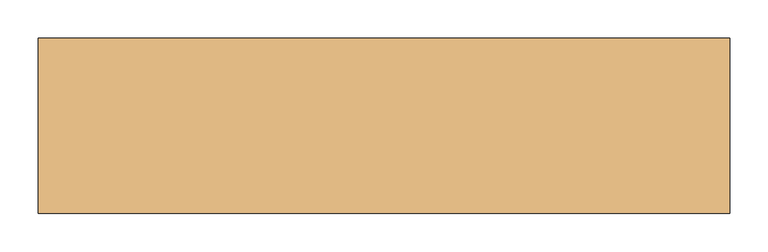
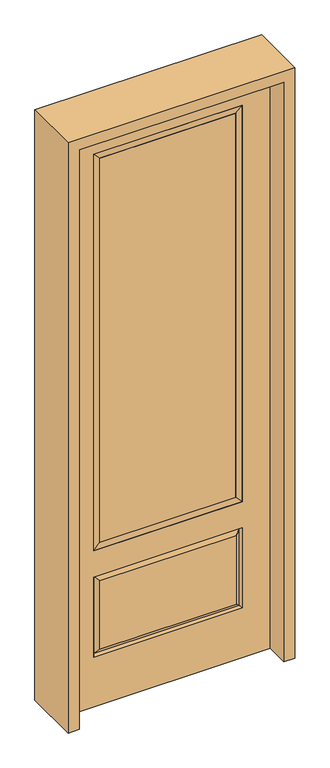
"""IFC4 building model written with IfcOpenShell, lengths in millimetres: door geometry."""

import ifcopenshell
import ifcopenshell.guid

model = None  # the IFC model being written
_history = None  # IfcOwnerHistory: only IFC2X3 demands one
_inside = {}  # id of a spatial element -> (the spatial element, [elements in it])
_under = {}  # id of a project, library or spatial element -> (it, [spatial elements below it])
_declared = {}  # id of a project -> (the project, [libraries it declares])
_typed = {}  # id of a type object -> (the type object, [elements of that type])
_made_of = {}  # id of a material, layer set ... -> (it, [elements and type objects made of it])


def new_model(schema):
    """Start an empty IFC model of exactly this schema.

    Asked for "IFC4X3", IfcOpenShell would pick the latest addendum, in which some entities
    have other attributes; the version numbers below select the first issue.
    IFC2X3 requires an IfcOwnerHistory on every rooted entity: one is made here for all.
    """
    global model, _history
    if schema == "IFC4X3":
        model = ifcopenshell.file(schema_version=(4, 3, 0, 0))
    else:
        model = ifcopenshell.file(schema=schema)
    _inside.clear()
    _under.clear()
    _declared.clear()
    _typed.clear()
    _made_of.clear()
    _history = None
    if model.schema == "IFC2X3":
        org = make("IfcOrganization", Name="unknown")
        user = make(
            "IfcPersonAndOrganization",
            ThePerson=make("IfcPerson", FamilyName="unknown"),
            TheOrganization=org,
        )
        app = make(
            "IfcApplication",
            ApplicationDeveloper=org,
            Version="unknown",
            ApplicationFullName="unknown",
            ApplicationIdentifier="unknown",
        )
        _history = make(
            "IfcOwnerHistory",
            OwningUser=user,
            OwningApplication=app,
            ChangeAction="ADDED",
            CreationDate=0,
        )
    return model


def make(cls, **values):
    """One entity of the class cls with the attributes given. An attribute that is None is left unset."""
    return model.create_entity(
        cls, **{name: value for name, value in values.items() if value is not None}
    )


def rooted(cls, **values):
    """An entity with a GlobalId (a new one), such as an element, a storey or a relation."""
    return make(cls, GlobalId=ifcopenshell.guid.new(), OwnerHistory=_history, **values)


def si_unit(unit_type, name, prefix=None):
    """IfcSIUnit, for example si_unit("LENGTHUNIT", "METRE", prefix="MILLI")."""
    return make("IfcSIUnit", UnitType=unit_type, Prefix=prefix, Name=name)


def assignment(units):
    """IfcUnitAssignment: the units of a project."""
    return None if units is None else make("IfcUnitAssignment", Units=units)


def point(xyz):
    """IfcCartesianPoint."""
    return None if xyz is None else make("IfcCartesianPoint", Coordinates=xyz)


def direction(xyz):
    """IfcDirection."""
    return None if xyz is None else make("IfcDirection", DirectionRatios=xyz)


def frame(location, z_axis=None, x_axis=None):
    """IfcAxis2Placement3D, a coordinate frame: its origin and axes. An axis left out is left unset."""
    return make(
        "IfcAxis2Placement3D",
        Location=point(location),
        Axis=direction(z_axis),
        RefDirection=direction(x_axis),
    )


def origin():
    """The frame at (0, 0, 0) with its axes left unset."""
    return frame((0.0, 0.0, 0.0))


def place(relative_to, where):
    """IfcLocalPlacement: puts the frame where relative to a parent placement (None: the world)."""
    return make(
        "IfcLocalPlacement", PlacementRelTo=relative_to, RelativePlacement=where
    )


def context(
    kind, dimensions, precision=None, world=None, true_north=None, identifier=None
):
    """IfcGeometricRepresentationContext, for example the 3D "Model" context."""
    return make(
        "IfcGeometricRepresentationContext",
        ContextIdentifier=identifier,
        ContextType=kind,
        CoordinateSpaceDimension=dimensions,
        Precision=precision,
        WorldCoordinateSystem=world,
        TrueNorth=true_north,
    )


def project(units=None, contexts=None):
    """IfcProject with its units and contexts."""
    return rooted(
        "IfcProject",
        Name="project",
        RepresentationContexts=contexts,
        UnitsInContext=assignment(units),
    )


def spatial(cls, under=None, at=None, **own):
    """A site, building, storey or space (cls), placed at a placement, below another one or the project."""
    s = rooted(cls, ObjectPlacement=at, **own)
    if under is not None:
        _under.setdefault(under.id(), (under, []))[1].append(s)
    return s


def polyline(points):
    """IfcPolyline through the points."""
    return make("IfcPolyline", Points=[point(p) for p in points])


def outline(outer, holes=None, kind="AREA"):
    """IfcArbitraryClosedProfileDef: a profile drawn as a closed curve; with holes, ...WithVoids."""
    if holes is None:
        return make("IfcArbitraryClosedProfileDef", ProfileType=kind, OuterCurve=outer)
    return make(
        "IfcArbitraryProfileDefWithVoids",
        ProfileType=kind,
        OuterCurve=outer,
        InnerCurves=holes,
    )


def extrude(swept, where, along, depth):
    """IfcExtrudedAreaSolid: the profile swept, set in the frame where, extruded along a direction by depth."""
    return make(
        "IfcExtrudedAreaSolid",
        SweptArea=swept,
        Position=where,
        ExtrudedDirection=direction(along),
        Depth=depth,
    )


def faces_of(points, faces, orient=None, outer=None):
    """IfcFace entities. A face is a list of loops; a loop is a list of indices into points, from 0.

    orient and outer hold one flag for each loop. By default every Orientation is true, the
    first loop of a face is its IfcFaceOuterBound and the others are IfcFaceBound.
    """
    made = []
    for i, loops in enumerate(faces):
        bounds = []
        for j, loop in enumerate(loops):
            is_outer = j == 0 if outer is None else outer[i][j]
            bounds.append(
                make(
                    "IfcFaceOuterBound" if is_outer else "IfcFaceBound",
                    Bound=make("IfcPolyLoop", Polygon=[points[k] for k in loop]),
                    Orientation=True if orient is None else orient[i][j],
                )
            )
        made.append(make("IfcFace", Bounds=bounds))
    return made


def faceted_brep(points, faces, orient=None, outer=None, voids=None):
    """IfcFacetedBrep: a solid bounded by flat faces; with voids (closed shells), ...WithVoids."""
    shared = [point(p) for p in points]
    hull = make("IfcClosedShell", CfsFaces=faces_of(shared, faces, orient, outer))
    if voids is None:
        return make("IfcFacetedBrep", Outer=hull)
    return make(
        "IfcFacetedBrepWithVoids",
        Outer=hull,
        Voids=[
            make(cls, CfsFaces=faces_of(shared, fs, o, b)) for cls, fs, o, b in voids
        ],
    )


def shape(context_of_items, identifier, shape_type, items):
    """IfcShapeRepresentation: the items that make up one representation, for example the "Body"."""
    return make(
        "IfcShapeRepresentation",
        ContextOfItems=context_of_items,
        RepresentationIdentifier=identifier,
        RepresentationType=shape_type,
        Items=items,
    )


def source(mapping_origin, context_of_items, identifier, shape_type, items):
    """IfcRepresentationMap: a shape defined once, which mapped items show again and again."""
    return make(
        "IfcRepresentationMap",
        MappingOrigin=mapping_origin,
        MappedRepresentation=shape(context_of_items, identifier, shape_type, items),
    )


def transform(
    local_origin,
    x_axis=None,
    y_axis=None,
    z_axis=None,
    scale=None,
    scale2=None,
    scale3=None,
    uniform=True,
):
    """IfcCartesianTransformationOperator3D, or its non-uniform kind. x_axis, y_axis, z_axis: its Axis1, 2, 3."""
    if uniform:
        return make(
            "IfcCartesianTransformationOperator3D",
            Axis1=direction(x_axis),
            Axis2=direction(y_axis),
            LocalOrigin=point(local_origin),
            Scale=scale,
            Axis3=direction(z_axis),
        )
    return make(
        "IfcCartesianTransformationOperator3DnonUniform",
        Axis1=direction(x_axis),
        Axis2=direction(y_axis),
        LocalOrigin=point(local_origin),
        Scale=scale,
        Axis3=direction(z_axis),
        Scale2=scale2,
        Scale3=scale3,
    )


def mapped(mapping_source, mapping_target):
    """IfcMappedItem: shows the shape of a source again, moved by a transform."""
    return make(
        "IfcMappedItem", MappingSource=mapping_source, MappingTarget=mapping_target
    )


def made_of(thing, what):
    """Note that an element or type object is made of a material, layer set ...; save() writes the relation."""
    if what is not None:
        _made_of.setdefault(what.id(), (what, []))[1].append(thing)
    return thing


def element(
    cls,
    number,
    at=None,
    inside=None,
    cuts=None,
    type_object=None,
    material=None,
    context=None,
    identifier="Body",
    shape_type=None,
    held_by="IfcProductDefinitionShape",
    body=None,
    shapes=None,
    **own,
):
    """One element of the class cls, such as IfcWall. Its Tag is "e" and its number.

    at: its placement. inside: the storey or other place that contains it. cuts: it is an
    opening in that element (IfcRelVoidsElement). A single representation is given by context,
    identifier, shape_type and body (its items); several are given by shapes. held_by: the class
    of the entity that holds the representations. save() writes the other relations.
    """
    e = rooted(cls, Tag="e%d" % number, ObjectPlacement=at, **own)
    if body is not None:
        shapes = [shape(context, identifier, shape_type, body)]
    if shapes is not None:
        e.Representation = make(held_by, Representations=shapes)
    if inside is not None:
        _inside.setdefault(inside.id(), (inside, []))[1].append(e)
    if cuts is not None:
        rooted(
            "IfcRelVoidsElement", RelatingBuildingElement=cuts, RelatedOpeningElement=e
        )
    if type_object is not None:
        _typed.setdefault(type_object.id(), (type_object, []))[1].append(e)
    return made_of(e, material)


def aggregate(whole, parts):
    """IfcRelAggregates: a whole, such as a stair, and the parts it consists of."""
    return rooted("IfcRelAggregates", RelatingObject=whole, RelatedObjects=parts)


def save(model, path):
    """Write the relations noted so far, then the file.

    IfcRelAggregates (storeys below a building ...), IfcRelContainedInSpatialStructure (elements
    in a storey), IfcRelDefinesByType, IfcRelAssociatesMaterial and IfcRelDeclares: one each for
    every whole, place, type object, material and project.
    """
    for whole, parts in _under.values():
        aggregate(whole, parts)
    for where, things in _inside.values():
        rooted(
            "IfcRelContainedInSpatialStructure",
            RelatedElements=things,
            RelatingStructure=where,
        )
    for kind, things in _typed.values():
        rooted("IfcRelDefinesByType", RelatedObjects=things, RelatingType=kind)
    for what, things in _made_of.values():
        rooted("IfcRelAssociatesMaterial", RelatedObjects=things, RelatingMaterial=what)
    for by, libraries in _declared.values():
        rooted("IfcRelDeclares", RelatingContext=by, RelatedDefinitions=libraries)
    model.write(path)


def door_92293b36(model_context):
    return source(origin(), model_context, "Body", "SolidModel", [
        extrude(outline(polyline([(269.875, -20.32), (-269.875, -20.32), (-269.875, 5.08), (269.875, 5.08), (269.875, -20.32)])), frame((0.0, 0.0, 682.498), z_axis=(0.0, 0.0, 1.0), x_axis=(1.0, 0.0, 0.0)), (0.0, 0.0, 1.0), 1616.202),
        faceted_brep([(-288.1661499, -12.7912373, 216.6588501), (288.1661499, -12.7912373, 216.6588501), (270.66875, -22.225, 234.15625), (-270.66875, -22.225, 234.15625), (-295.275, -22.225, 209.55), (295.275, -22.225, 209.55), (-288.1661499, -12.7912373, 538.9911499), (-295.275, -22.225, 546.1), (270.66875, -22.225, 521.49375), (-270.66875, -22.225, 521.49375), (406.4, -22.225, 2438.4), (-406.4, -22.225, 2438.4), (-406.4, -22.225, 0.0), (406.4, -22.225, 0.0), (295.275, -22.225, 546.1), (295.275, -22.225, 2324.1), (295.275, -22.225, 657.098), (-295.275, -22.225, 657.098), (-295.275, -22.225, 2324.1), (288.1661499, -12.7912373, 538.9911499), (-406.4, 22.225, 2438.4), (-406.4, 22.225, 0.0), (406.4, 22.225, 0.0), (406.4, 22.225, 2438.4), (295.275, 22.225, 2324.1), (295.275, 22.225, 657.098), (-295.275, 22.225, 657.098), (-295.275, 22.225, 2324.1), (-295.275, 22.225, 209.55), (295.275, 22.225, 209.55), (295.275, 22.225, 546.1), (-295.275, 22.225, 546.1), (270.66875, 22.225, 234.15625), (-270.66875, 22.225, 234.15625), (-270.66875, 22.225, 521.49375), (270.66875, 22.225, 521.49375), (-288.1661499, 12.7912373, 216.6588501), (288.1661499, 12.7912373, 216.6588501), (288.1661499, 12.7912373, 538.9911499), (-288.1661499, 12.7912373, 538.9911499)], [[[0, 1, 2, 3]], [[1, 0, 4, 5]], [[4, 0, 6, 7]], [[3, 2, 8, 9]], [[10, 11, 12, 13], [5, 4, 7, 14], [15, 16, 17, 18]], [[1, 5, 14, 19]], [[2, 1, 19, 8]], [[0, 3, 9, 6]], [[7, 6, 19, 14]], [[6, 9, 8, 19]], [[12, 11, 20, 21]], [[13, 12, 21, 22]], [[10, 13, 22, 23]], [[16, 15, 24, 25]], [[17, 16, 25, 26]], [[18, 17, 26, 27]], [[23, 22, 21, 20], [28, 29, 30, 31], [24, 27, 26, 25]], [[32, 33, 34, 35]], [[28, 36, 37, 29]], [[29, 37, 38, 30]], [[39, 31, 30, 38]], [[36, 28, 31, 39]], [[37, 36, 33, 32]], [[33, 36, 39, 34]], [[34, 39, 38, 35]], [[37, 32, 35, 38]], [[11, 10, 23, 20]], [[15, 18, 27, 24]]]),
        faceted_brep([(-295.275, -22.225, 2324.1), (-295.275, 22.225, 2324.1), (-295.275, 22.225, 657.098), (-295.275, -22.225, 657.098), (295.275, 22.225, 657.098), (295.275, -22.225, 657.098), (-269.875, 5.08, 682.498), (269.875, 5.08, 682.498), (295.275, 22.225, 2324.1), (295.275, -22.225, 2324.1), (-269.875, -20.32, 682.498), (269.875, -20.32, 682.498), (-269.875, -20.32, 2298.7), (269.875, -20.32, 2298.7), (-269.875, 5.08, 2298.7), (269.875, 5.08, 2298.7)], [[[0, 1, 2, 3]], [[3, 2, 4, 5]], [[2, 6, 7, 4]], [[5, 4, 8, 9]], [[10, 3, 5, 11]], [[12, 0, 3, 10]], [[11, 5, 9, 13]], [[6, 10, 11, 7]], [[14, 12, 10, 6]], [[7, 11, 13, 15]], [[1, 14, 6, 2]], [[4, 7, 15, 8]], [[9, 8, 1, 0]], [[13, 9, 0, 12]], [[15, 13, 12, 14]], [[8, 15, 14, 1]]]),
        extrude(outline(polyline([(2482.85, -450.85), (0.0, -450.85), (0.0, -406.4), (2438.4, -406.4), (2438.4, 406.4), (0.0, 406.4), (0.0, 450.85), (2482.85, 450.85), (2482.85, -450.85)])), frame((0.0, -114.3, 0.0), z_axis=(0.0, 1.0, 0.0), x_axis=(0.0, 0.0, 1.0)), (0.0, 0.0, 1.0), 228.6),
    ])


if __name__ == "__main__":
    model = new_model("IFC4")
    model_context = context("Model", 3, world=origin())
    ifc_project = project(units=[si_unit("LENGTHUNIT", "METRE", prefix="MILLI")], contexts=[model_context])
    site = spatial("IfcSite", under=ifc_project)
    building = spatial("IfcBuilding", under=site)
    placement = place(None, origin())
    door_shape = door_92293b36(model_context)
    element("IfcDoor", 1, at=placement, inside=building, context=model_context, shape_type="MappedRepresentation", body=[
        mapped(door_shape, transform((0.0, 0.0, 0.0), x_axis=(1.0, 0.0, 0.0), y_axis=(0.0, 1.0, 0.0), z_axis=(0.0, 0.0, 1.0))),
    ])
    save(model, "model.ifc")
